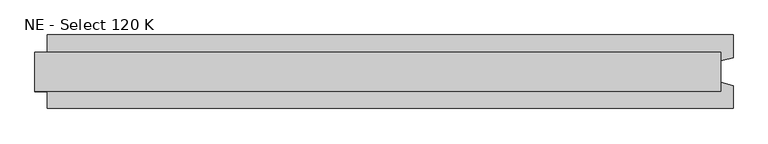
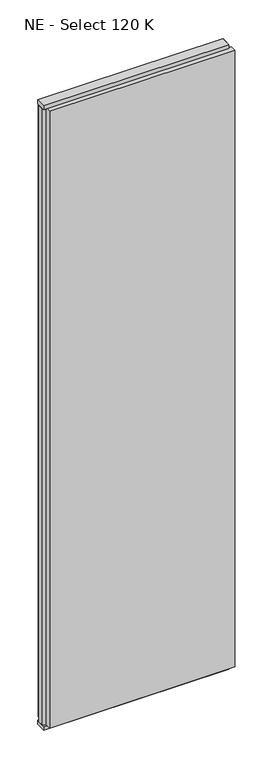
"""IFC4 building model written with IfcOpenShell, lengths in millimetres: plate geometry, NE - Select 120 K."""

from ifc_helpers import new_model, si_unit, frame, origin, origin_with_axes, place, context, project, spatial, polyline, outline, extrude, source, transform, mapped, element, save


def ne_select_120_k_04f5a745(model_context):
    return source(origin(), model_context, "Body", "SweptSolid", [
        extrude(outline(polyline([(580.5, 60.0), (580.5, 22.9993165), (560.5, 17.6401049), (560.5, -17.6401049), (580.5, -22.9993165), (580.5, -60.0), (-540.5, -60.0), (-540.5, -22.9993165), (-560.5, -17.6401049), (-560.5, 17.6401049), (-540.5, 22.9993165), (-540.5, 60.0), (580.5, 60.0)])), frame((0.0, 0.0, 25.0), z_axis=(0.0, 0.0, 1.0), x_axis=(1.0, 0.0, 0.0)), (0.0, 0.0, 1.0), 3950.0),
        extrude(outline(polyline([(560.5, 32.0), (560.5, -32.0), (-560.5, -32.0), (-560.5, 32.0), (560.5, 32.0)])), origin_with_axes(), (0.0, 0.0, 1.0), 25.0),
        extrude(outline(polyline([(560.5, 32.0), (560.5, -32.0), (-560.5, -32.0), (-560.5, 32.0), (560.5, 32.0)])), frame((0.0, 0.0, 3975.0), z_axis=(0.0, 0.0, 1.0), x_axis=(1.0, 0.0, 0.0)), (0.0, 0.0, 1.0), 25.0),
    ])


if __name__ == "__main__":
    model = new_model("IFC4")
    model_context = context("Model", 3, world=origin())
    ifc_project = project(units=[si_unit("LENGTHUNIT", "METRE", prefix="MILLI")], contexts=[model_context])
    site = spatial("IfcSite", under=ifc_project)
    building = spatial("IfcBuilding", under=site)
    placement = place(None, origin())
    ne_select_120_k_shape = ne_select_120_k_04f5a745(model_context)
    element("IfcPlate", 1, ObjectType="NE - Select 120 K", at=placement, inside=building, context=model_context, shape_type="MappedRepresentation", body=[
        mapped(ne_select_120_k_shape, transform((0.0, 0.0, 0.0), x_axis=(1.0, 0.0, 0.0), y_axis=(0.0, 1.0, 0.0), z_axis=(0.0, 0.0, 1.0))),
    ])
    save(model, "model.ifc")
